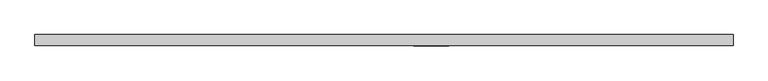
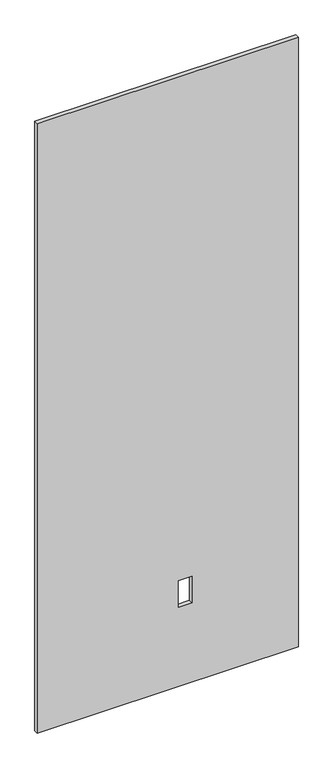
"""IFC4 building model written with IfcOpenShell, lengths in millimetres: proxy geometry."""

from ifc_helpers import new_model, si_unit, frame, origin, place, context, project, spatial, polyline, outline, extrude, source, transform, mapped, element, save


def specialty_equipment_2dcd5ec0(model_context):
    return source(origin(), model_context, "Body", "SweptSolid", [
        extrude(outline(polyline([(2999.5368001, 607.7204), (2999.5368001, -607.7204), (3.175, -607.7204), (3.175, 607.7204), (2999.5368001, 607.7204)]), holes=[polyline([(522.478, 112.8268), (391.922, 112.8268), (391.922, 51.3588), (522.478, 51.3588), (522.478, 112.8268)])]), frame((0.0, -9.525, 0.0), z_axis=(0.0, 1.0, 0.0), x_axis=(0.0, 0.0, 1.0)), (0.0, 0.0, 1.0), 19.05),
    ])


if __name__ == "__main__":
    model = new_model("IFC4")
    model_context = context("Model", 3, world=origin())
    ifc_project = project(units=[si_unit("LENGTHUNIT", "METRE", prefix="MILLI")], contexts=[model_context])
    site = spatial("IfcSite", under=ifc_project)
    building = spatial("IfcBuilding", under=site)
    placement = place(None, origin())
    specialty_equipment_shape = specialty_equipment_2dcd5ec0(model_context)
    element("IfcBuildingElementProxy", 1, Name="Specialty Equipment", at=placement, inside=building, context=model_context, shape_type="MappedRepresentation", body=[
        mapped(specialty_equipment_shape, transform((0.0, 0.0, 0.0), x_axis=(1.0, 0.0, 0.0), y_axis=(0.0, 1.0, 0.0), z_axis=(0.0, 0.0, 1.0))),
    ])
    save(model, "model.ifc")
